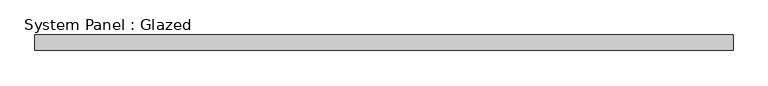
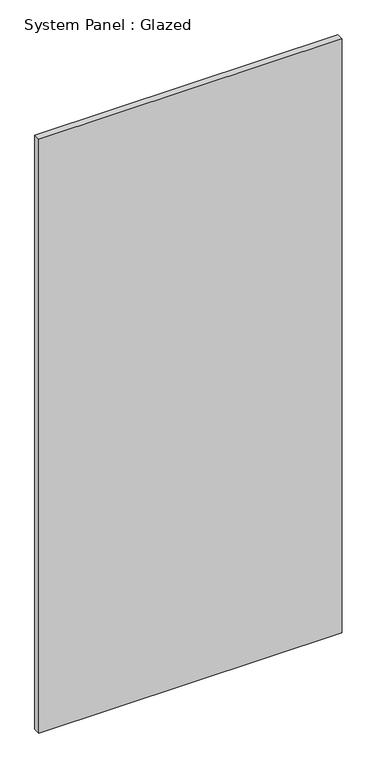
"""IFC4 building model written with IfcOpenShell, lengths in millimetres: plate geometry, System Panel : Glazed."""

from ifc_helpers import new_model, si_unit, origin, origin_with_axes, place, context, project, spatial, polyline, outline, extrude, source, transform, mapped, element, save


def system_panel_glazed_27749cc5(model_context):
    return source(origin(), model_context, "Body", "SweptSolid", [
        extrude(outline(polyline([(561.5954152, 24.5), (-561.5954152, 24.5), (-561.5954152, 49.5), (561.5954152, 49.5), (561.5954152, 24.5)])), origin_with_axes(), (0.0, 0.0, 1.0), 2325.0),
    ])


if __name__ == "__main__":
    model = new_model("IFC4")
    model_context = context("Model", 3, world=origin())
    ifc_project = project(units=[si_unit("LENGTHUNIT", "METRE", prefix="MILLI")], contexts=[model_context])
    site = spatial("IfcSite", under=ifc_project)
    building = spatial("IfcBuilding", under=site)
    placement = place(None, origin())
    system_panel_glazed_shape = system_panel_glazed_27749cc5(model_context)
    element("IfcPlate", 1, ObjectType="System Panel : Glazed", at=placement, inside=building, context=model_context, shape_type="MappedRepresentation", body=[
        mapped(system_panel_glazed_shape, transform((0.0, 0.0, 0.0), x_axis=(1.0, 0.0, 0.0), y_axis=(0.0, 1.0, 0.0), z_axis=(0.0, 0.0, 1.0))),
    ])
    save(model, "model.ifc")
